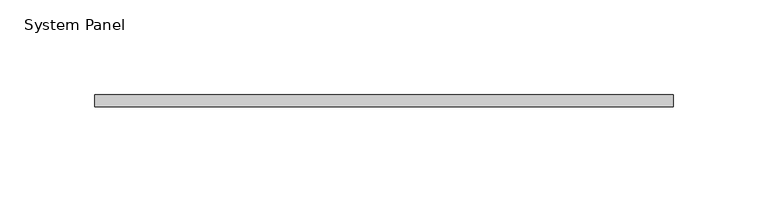
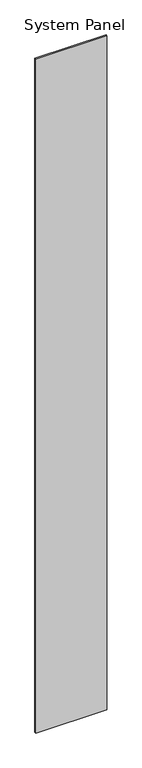
"""IFC4 building model written with IfcOpenShell, lengths in millimetres: plate geometry, System Panel."""

from ifc_helpers import new_model, si_unit, origin, origin_with_axes, place, context, project, spatial, polyline, outline, extrude, source, transform, mapped, element, save


def system_panel_502012aa(model_context):
    return source(origin(), model_context, "Body", "SweptSolid", [
        extrude(outline(polyline([(152.3967798, 0.0), (-152.3967798, 0.0), (-152.3967798, 6.35), (152.3967798, 6.35), (152.3967798, 0.0)])), origin_with_axes(), (0.0, 0.0, 1.0), 3048.0),
    ])


if __name__ == "__main__":
    model = new_model("IFC4")
    model_context = context("Model", 3, world=origin())
    ifc_project = project(units=[si_unit("LENGTHUNIT", "METRE", prefix="MILLI")], contexts=[model_context])
    site = spatial("IfcSite", under=ifc_project)
    building = spatial("IfcBuilding", under=site)
    placement = place(None, origin())
    system_panel_shape = system_panel_502012aa(model_context)
    element("IfcPlate", 1, ObjectType="System Panel", at=placement, inside=building, context=model_context, shape_type="MappedRepresentation", body=[
        mapped(system_panel_shape, transform((0.0, 0.0, 0.0), x_axis=(1.0, 0.0, 0.0), y_axis=(0.0, 1.0, 0.0), z_axis=(0.0, 0.0, 1.0))),
    ])
    save(model, "model.ifc")
